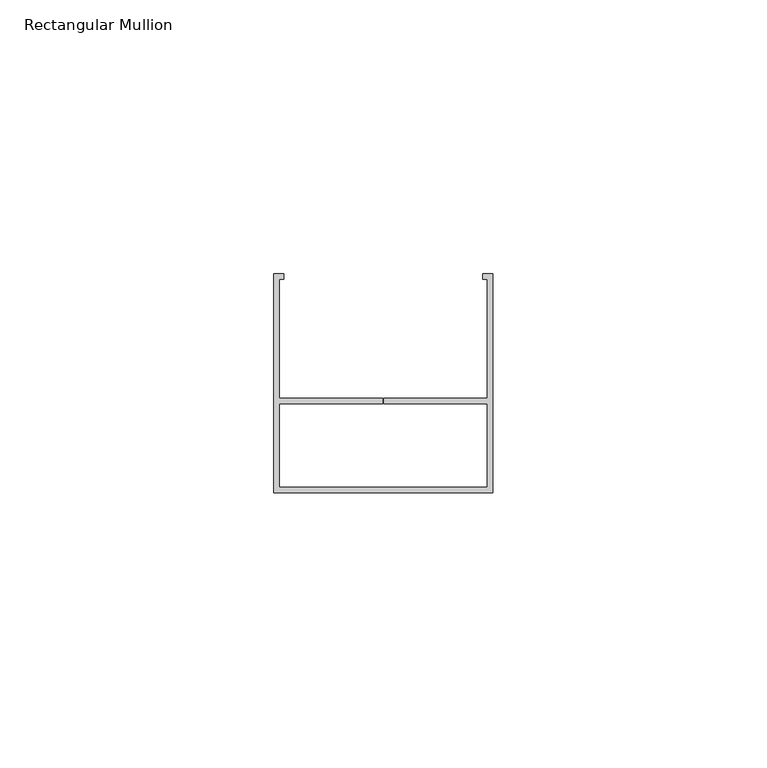
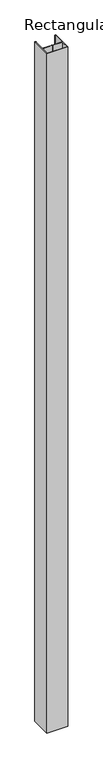
"""IFC4 building model written with IfcOpenShell, lengths in millimetres: member geometry, Rectangular Mullion."""

from ifc_helpers import new_model, si_unit, frame, origin, place, context, project, spatial, polyline, outline, extrude, source, transform, mapped, element, save


def rectangular_mullion_f1e0afa6(model_context):
    return source(origin(), model_context, "Body", "SweptSolid", [
        extrude(outline(polyline([(-40.0, -20.0), (-40.0, 20.0), (-38.1456638, 20.0), (-38.1456638, 19.0), (-39.0, 19.0), (-39.0, -2.6912936), (-20.0934793, -2.6912936), (-20.0934793, -3.6912936), (-39.0, -3.6912936), (-39.0, -19.0), (-1.0, -19.0), (-1.0, -3.6912936), (-19.9059793, -3.6912936), (-19.9059793, -2.6912936), (-1.0, -2.6912936), (-1.0, 19.0), (-1.878753, 19.0), (-1.878753, 20.0), (0.0, 20.0), (0.0, -20.0), (-40.0, -20.0)])), frame((0.0, 0.0, -1374.4097886), z_axis=(0.0, 0.0, 1.0), x_axis=(1.0, 0.0, 0.0)), (0.0, 0.0, 1.0), 1374.4097886),
    ])


if __name__ == "__main__":
    model = new_model("IFC4")
    model_context = context("Model", 3, world=origin())
    ifc_project = project(units=[si_unit("LENGTHUNIT", "METRE", prefix="MILLI")], contexts=[model_context])
    site = spatial("IfcSite", under=ifc_project)
    building = spatial("IfcBuilding", under=site)
    placement = place(None, origin())
    rectangular_mullion_shape = rectangular_mullion_f1e0afa6(model_context)
    element("IfcMember", 1, ObjectType="Rectangular Mullion", at=placement, inside=building, context=model_context, shape_type="MappedRepresentation", body=[
        mapped(rectangular_mullion_shape, transform((0.0, 0.0, 0.0), x_axis=(1.0, 0.0, 0.0), y_axis=(0.0, 1.0, 0.0), z_axis=(0.0, 0.0, 1.0))),
    ])
    save(model, "model.ifc")
